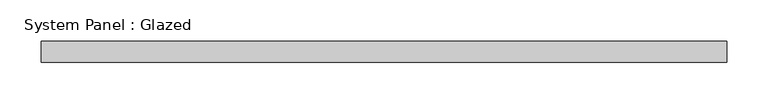
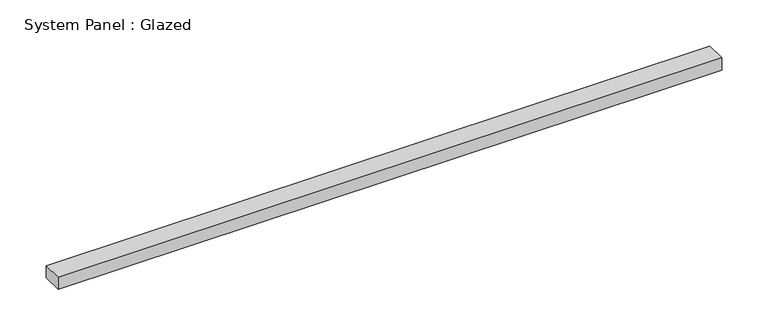
"""IFC4 building model written with IfcOpenShell, lengths in millimetres: plate geometry, System Panel : Glazed."""

from ifc_helpers import new_model, si_unit, origin, origin_with_axes, place, context, project, spatial, polyline, outline, extrude, source, transform, mapped, element, save


def system_panel_glazed_0eecbd96(model_context):
    return source(origin(), model_context, "Body", "SweptSolid", [
        extrude(outline(polyline([(414.2252689, 19.05), (-414.2252689, 19.05), (-414.2252689, 44.45), (414.2252689, 44.45), (414.2252689, 19.05)])), origin_with_axes(), (0.0, 0.0, 1.0), 16.0049124),
    ])


if __name__ == "__main__":
    model = new_model("IFC4")
    model_context = context("Model", 3, world=origin())
    ifc_project = project(units=[si_unit("LENGTHUNIT", "METRE", prefix="MILLI")], contexts=[model_context])
    site = spatial("IfcSite", under=ifc_project)
    building = spatial("IfcBuilding", under=site)
    placement = place(None, origin())
    system_panel_glazed_shape = system_panel_glazed_0eecbd96(model_context)
    element("IfcPlate", 1, ObjectType="System Panel : Glazed", at=placement, inside=building, context=model_context, shape_type="MappedRepresentation", body=[
        mapped(system_panel_glazed_shape, transform((0.0, 0.0, 0.0), x_axis=(1.0, 0.0, 0.0), y_axis=(0.0, 1.0, 0.0), z_axis=(0.0, 0.0, 1.0))),
    ])
    save(model, "model.ifc")
